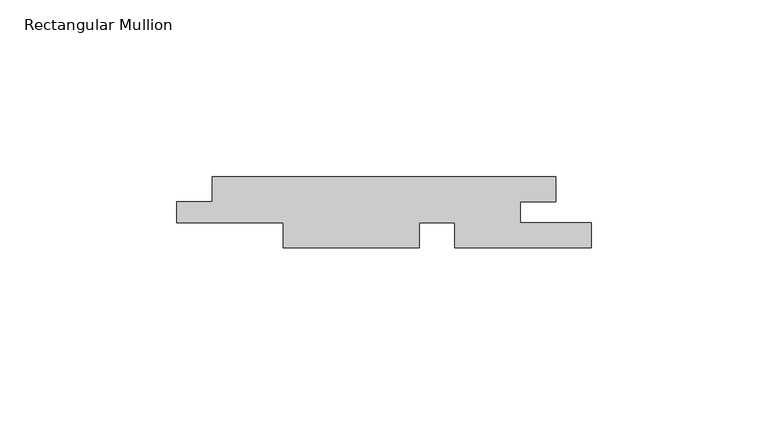
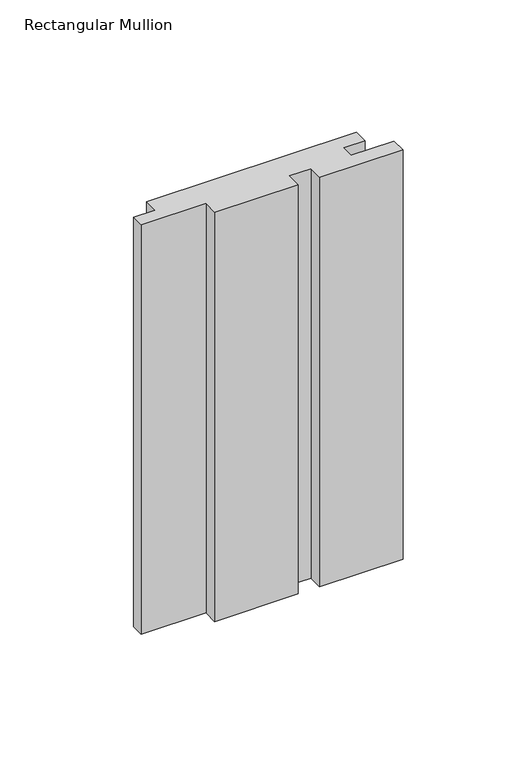
"""IFC4 building model written with IfcOpenShell, lengths in millimetres: member geometry, Rectangular Mullion."""

from ifc_helpers import new_model, si_unit, frame, origin, place, context, project, spatial, polyline, outline, extrude, source, transform, mapped, element, save


def rectangular_mullion_a82a19c0(model_context):
    return source(origin(), model_context, "Body", "SweptSolid", [
        extrude(outline(polyline([(-117.0, -7.0), (-107.0288065, -7.0), (-107.0288065, 0.0), (-10.0, 0.0), (-10.0, -7.0), (-20.0, -7.0), (-20.0, -13.0), (0.0, -13.0), (0.0, -20.0), (-38.5288065, -20.0), (-38.5288065, -13.0), (-48.5288065, -13.0), (-48.5288065, -20.0), (-87.0288065, -20.0), (-87.0288065, -13.0), (-117.0, -13.0), (-117.0, -7.0)])), frame((0.0, 0.0, -200.0), z_axis=(0.0, 0.0, 1.0), x_axis=(1.0, 0.0, 0.0)), (0.0, 0.0, 1.0), 200.0),
    ])


if __name__ == "__main__":
    model = new_model("IFC4")
    model_context = context("Model", 3, world=origin())
    ifc_project = project(units=[si_unit("LENGTHUNIT", "METRE", prefix="MILLI")], contexts=[model_context])
    site = spatial("IfcSite", under=ifc_project)
    building = spatial("IfcBuilding", under=site)
    placement = place(None, origin())
    rectangular_mullion_shape = rectangular_mullion_a82a19c0(model_context)
    element("IfcMember", 1, ObjectType="Rectangular Mullion", at=placement, inside=building, context=model_context, shape_type="MappedRepresentation", body=[
        mapped(rectangular_mullion_shape, transform((0.0, 0.0, 0.0), x_axis=(1.0, 0.0, 0.0), y_axis=(0.0, 1.0, 0.0), z_axis=(0.0, 0.0, 1.0))),
    ])
    save(model, "model.ifc")
